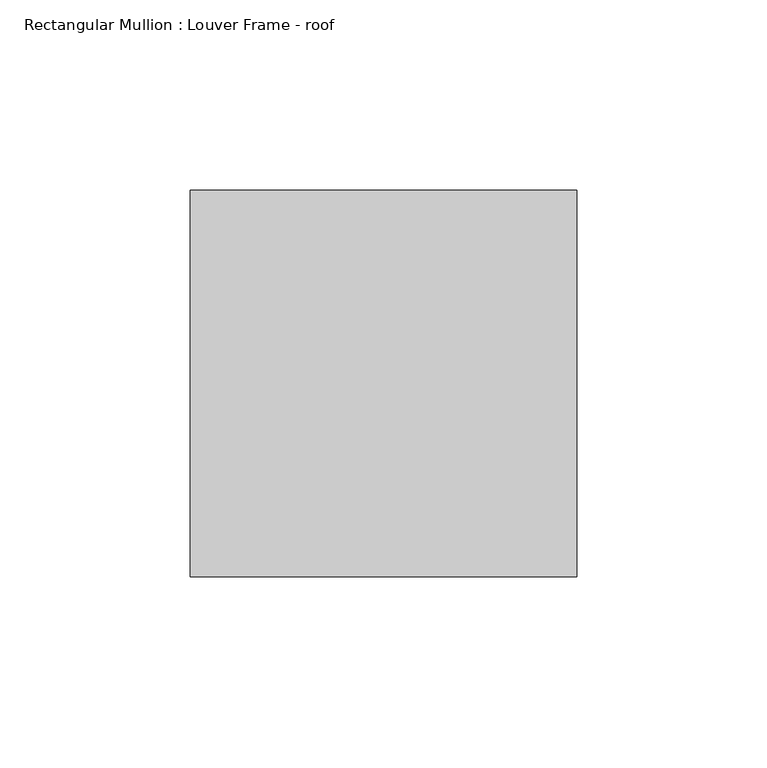
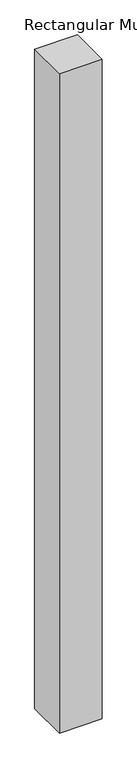
"""IFC4 building model written with IfcOpenShell, lengths in millimetres: member geometry, Rectangular Mullion : Louver Frame - roof."""

from ifc_helpers import new_model, si_unit, frame, origin, place, context, project, spatial, polyline, outline, extrude, source, transform, mapped, element, save


def rectangular_mullion_louver_frame_roof_b348675d(model_context):
    return source(origin(), model_context, "Body", "SweptSolid", [
        extrude(outline(polyline([(25.4, 127.0), (25.4, 25.4), (-76.2, 25.4), (-76.2, 127.0), (25.4, 127.0)])), frame((0.0, 0.0, -1660.5947001), z_axis=(0.0, 0.0, 1.0), x_axis=(1.0, 0.0, 0.0)), (0.0, 0.0, 1.0), 1660.5947001),
    ])


if __name__ == "__main__":
    model = new_model("IFC4")
    model_context = context("Model", 3, world=origin())
    ifc_project = project(units=[si_unit("LENGTHUNIT", "METRE", prefix="MILLI")], contexts=[model_context])
    site = spatial("IfcSite", under=ifc_project)
    building = spatial("IfcBuilding", under=site)
    placement = place(None, origin())
    rectangular_mullion_louver_frame_roof_shape = rectangular_mullion_louver_frame_roof_b348675d(model_context)
    element("IfcMember", 1, ObjectType="Rectangular Mullion : Louver Frame - roof", at=placement, inside=building, context=model_context, shape_type="MappedRepresentation", body=[
        mapped(rectangular_mullion_louver_frame_roof_shape, transform((0.0, 0.0, 0.0), x_axis=(1.0, 0.0, 0.0), y_axis=(0.0, 1.0, 0.0), z_axis=(0.0, 0.0, 1.0))),
    ])
    save(model, "model.ifc")
